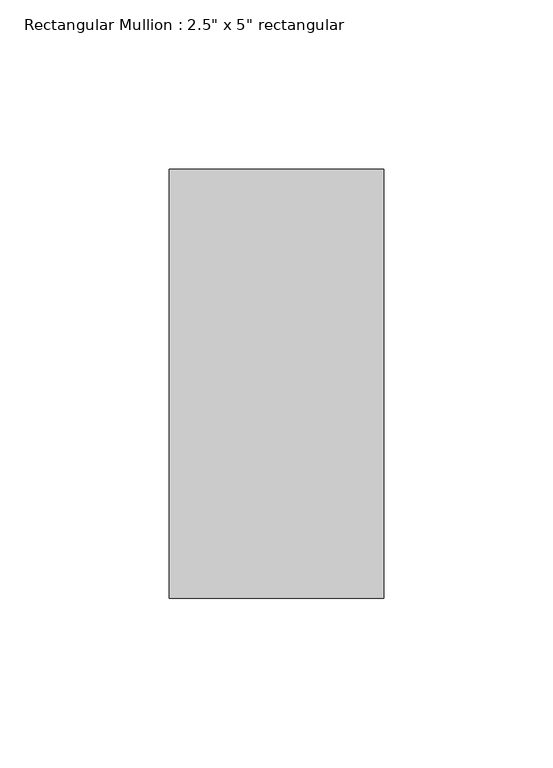
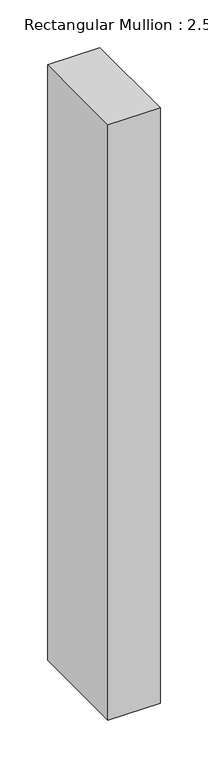
"""IFC4 building model written with IfcOpenShell, lengths in millimetres: member geometry."""

from ifc_helpers import new_model, si_unit, frame, origin, place, context, project, spatial, polyline, outline, extrude, source, transform, mapped, element, save


def member_8f7b2897(model_context):
    return source(origin(), model_context, "Body", "SweptSolid", [
        extrude(outline(polyline([(31.75, 63.5), (31.75, -63.5), (-31.75, -63.5), (-31.75, 63.5), (31.75, 63.5)])), frame((0.0, 0.0, -764.5647935), z_axis=(0.0, 0.0, 1.0), x_axis=(1.0, 0.0, 0.0)), (0.0, 0.0, 1.0), 764.5647935),
    ])


if __name__ == "__main__":
    model = new_model("IFC4")
    model_context = context("Model", 3, world=origin())
    ifc_project = project(units=[si_unit("LENGTHUNIT", "METRE", prefix="MILLI")], contexts=[model_context])
    site = spatial("IfcSite", under=ifc_project)
    building = spatial("IfcBuilding", under=site)
    placement = place(None, origin())
    member_shape = member_8f7b2897(model_context)
    element("IfcMember", 1, ObjectType="Rectangular Mullion : 2.5\" x 5\" rectangular", at=placement, inside=building, context=model_context, shape_type="MappedRepresentation", body=[
        mapped(member_shape, transform((0.0, 0.0, 0.0), x_axis=(1.0, 0.0, 0.0), y_axis=(0.0, 1.0, 0.0), z_axis=(0.0, 0.0, 1.0))),
    ])
    save(model, "model.ifc")
